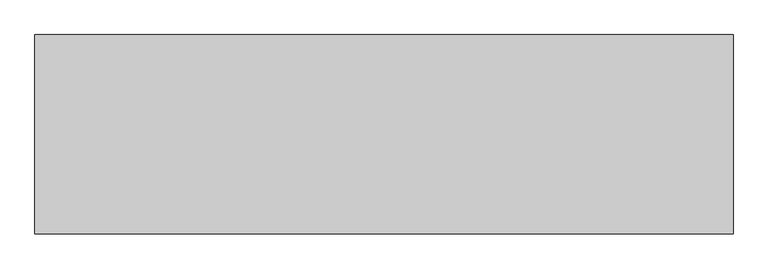
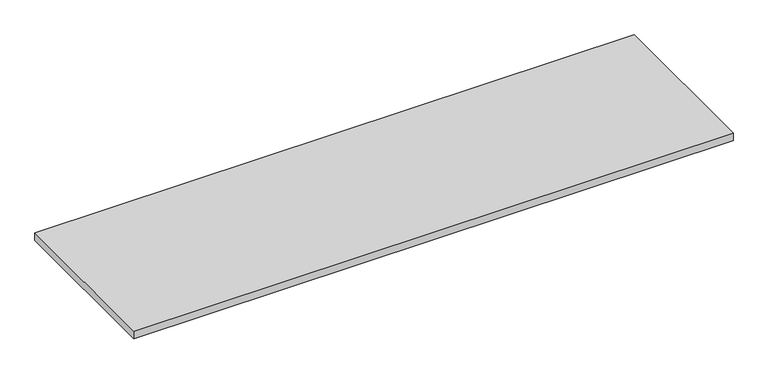
"""IFC4 building model written with IfcOpenShell, lengths in millimetres: furniture geometry."""

from ifc_helpers import new_model, si_unit, frame, origin, place, context, project, spatial, polyline, outline, extrude, source, transform, mapped, element, save


def furniture_e8347fad(model_context):
    return source(origin(), model_context, "Body", "SweptSolid", [
        extrude(outline(polyline([(0.0, 0.0), (2133.6, 0.0), (2133.6, -609.6), (0.0, -609.6), (0.0, 0.0)])), frame((0.0, 0.0, 693.7375), z_axis=(0.0, 0.0, 1.0), x_axis=(1.0, 0.0, 0.0)), (0.0, 0.0, 1.0), 28.575),
    ])


if __name__ == "__main__":
    model = new_model("IFC4")
    model_context = context("Model", 3, world=origin())
    ifc_project = project(units=[si_unit("LENGTHUNIT", "METRE", prefix="MILLI")], contexts=[model_context])
    site = spatial("IfcSite", under=ifc_project)
    building = spatial("IfcBuilding", under=site)
    placement = place(None, origin())
    furniture_shape = furniture_e8347fad(model_context)
    element("IfcFurniture", 1, at=placement, inside=building, context=model_context, shape_type="MappedRepresentation", body=[
        mapped(furniture_shape, transform((0.0, 0.0, 0.0), x_axis=(1.0, 0.0, 0.0), y_axis=(0.0, 1.0, 0.0), z_axis=(0.0, 0.0, 1.0))),
    ])
    save(model, "model.ifc")
